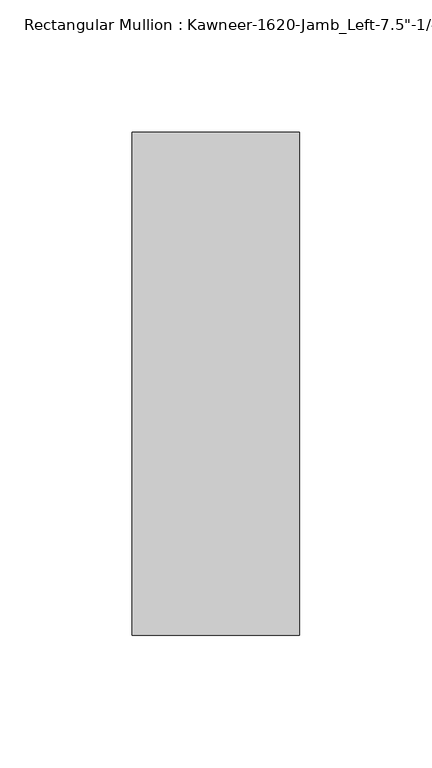
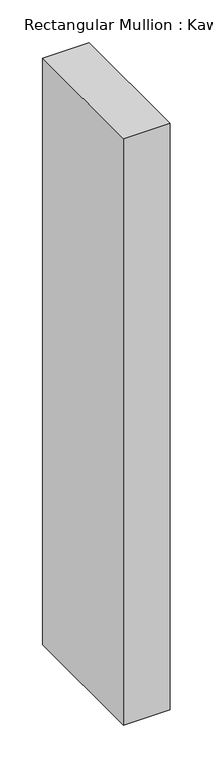
"""IFC4 building model written with IfcOpenShell, lengths in millimetres: member geometry."""

from ifc_helpers import new_model, si_unit, frame, origin, place, context, project, spatial, polyline, outline, extrude, source, transform, mapped, element, save


def member_404b16df(model_context):
    return source(origin(), model_context, "Body", "SweptSolid", [
        extrude(outline(polyline([(-63.5, 28.575), (0.0, 28.575), (0.0, -161.925), (-63.5, -161.925), (-63.5, 28.575)])), frame((0.0, 0.0, -841.375), z_axis=(0.0, 0.0, 1.0), x_axis=(1.0, 0.0, 0.0)), (0.0, 0.0, 1.0), 841.375),
    ])


if __name__ == "__main__":
    model = new_model("IFC4")
    model_context = context("Model", 3, world=origin())
    ifc_project = project(units=[si_unit("LENGTHUNIT", "METRE", prefix="MILLI")], contexts=[model_context])
    site = spatial("IfcSite", under=ifc_project)
    building = spatial("IfcBuilding", under=site)
    placement = place(None, origin())
    member_shape = member_404b16df(model_context)
    element("IfcMember", 1, ObjectType="Rectangular Mullion : Kawneer-1620-Jamb_Left-7.5\"-1/4\"Infill", at=placement, inside=building, context=model_context, shape_type="MappedRepresentation", body=[
        mapped(member_shape, transform((0.0, 0.0, 0.0), x_axis=(1.0, 0.0, 0.0), y_axis=(0.0, 1.0, 0.0), z_axis=(0.0, 0.0, 1.0))),
    ])
    save(model, "model.ifc")
